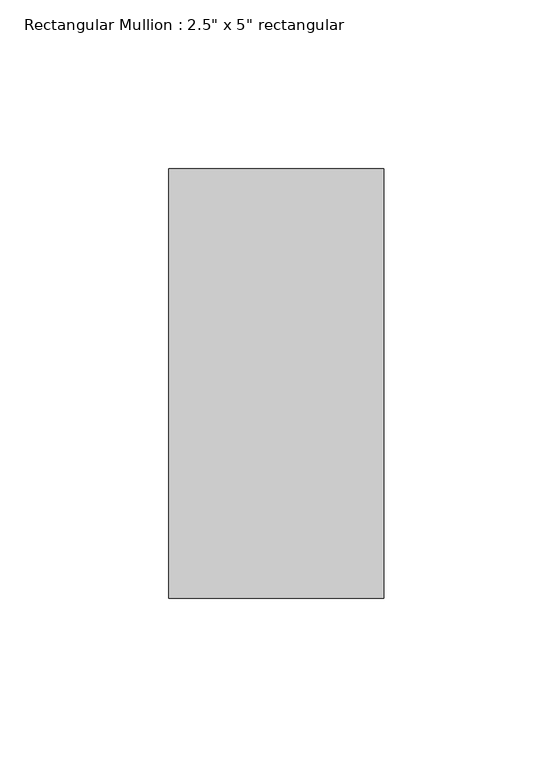
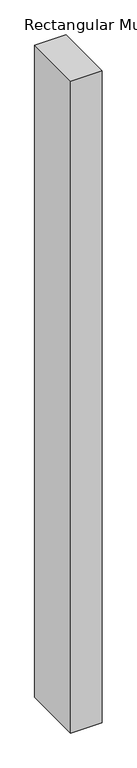
"""IFC4 building model written with IfcOpenShell, lengths in millimetres: member geometry."""

from ifc_helpers import new_model, si_unit, frame, origin, place, context, project, spatial, polyline, outline, extrude, source, transform, mapped, element, save


def member_0b3fd358(model_context):
    return source(origin(), model_context, "Body", "SweptSolid", [
        extrude(outline(polyline([(0.0, 63.5), (0.0, -63.5), (-63.5, -63.5), (-63.5, 63.5), (0.0, 63.5)])), frame((0.0, 0.0, -1401.2333333), z_axis=(0.0, 0.0, 1.0), x_axis=(1.0, 0.0, 0.0)), (0.0, 0.0, 1.0), 1401.2333333),
    ])


if __name__ == "__main__":
    model = new_model("IFC4")
    model_context = context("Model", 3, world=origin())
    ifc_project = project(units=[si_unit("LENGTHUNIT", "METRE", prefix="MILLI")], contexts=[model_context])
    site = spatial("IfcSite", under=ifc_project)
    building = spatial("IfcBuilding", under=site)
    placement = place(None, origin())
    member_shape = member_0b3fd358(model_context)
    element("IfcMember", 1, ObjectType="Rectangular Mullion : 2.5\" x 5\" rectangular", at=placement, inside=building, context=model_context, shape_type="MappedRepresentation", body=[
        mapped(member_shape, transform((0.0, 0.0, 0.0), x_axis=(1.0, 0.0, 0.0), y_axis=(0.0, 1.0, 0.0), z_axis=(0.0, 0.0, 1.0))),
    ])
    save(model, "model.ifc")
